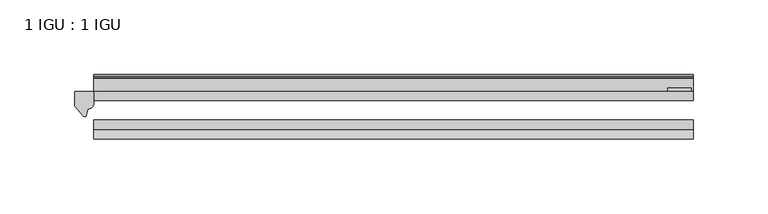
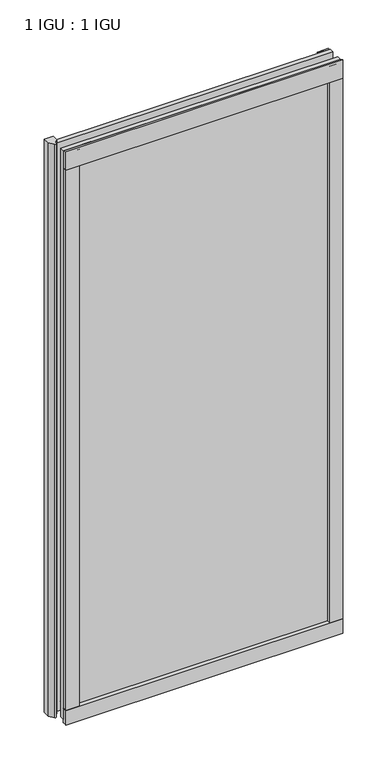
"""IFC4 building model written with IfcOpenShell, lengths in millimetres: plate geometry, 1 IGU : 1 IGU."""

from ifc_helpers import new_model, si_unit, point, frame, frame_2d, origin, place, context, project, spatial, polyline, circle_curve, trimmed, segment, composite_curve, outline, extrude, source, transform, mapped, element, save


def plate_1_igu_1_igu_8e1cafb7(model_context):
    return source(origin(), model_context, "Body", "SweptSolid", [
        extrude(outline(polyline([(200.025, 0.0021347), (200.025, -6.2992), (-200.025, -6.2992), (-200.025, 0.0021347), (200.025, 0.0021347)])), frame((0.0, 0.0, -17.4498), z_axis=(0.0, 0.0, 1.0), x_axis=(1.0, 0.0, 0.0)), (0.0, 0.0, 1.0), 868.3366072),
        extrude(outline(polyline([(-200.025, -19.0986653), (200.025, -19.0986653), (200.025, -25.3978653), (-200.025, -25.3978653), (-200.025, -19.0986653)])), frame((0.0, 0.0, -17.4498), z_axis=(0.0, 0.0, 1.0), x_axis=(1.0, 0.0, 0.0)), (0.0, 0.0, 1.0), 868.3366072),
        extrude(outline(composite_curve([segment(polyline([(-200.025, 8.8e-06), (-200.025, -7.7683362)]), True, "CONTINUOUS"), segment(trimmed(circle_curve(frame_2d((-203.9964979, -7.7683362)), 3.9714979), [point((-200.025, -7.7683362))], [point((-204.1239498, -11.7377885))], False, "CARTESIAN"), True, "CONTINUOUS"), segment(polyline([(-204.1239498, -11.7377885), (-205.1039843, -16.012436)]), True, "CONTINUOUS"), segment(trimmed(circle_curve(frame_2d((-206.2051933, -15.7723555)), 1.1270758), [point((-205.1039843, -16.012436))], [point((-207.1590327, -16.372764))], False, "CARTESIAN"), True, "CONTINUOUS"), segment(polyline([(-207.1590327, -16.372764), (-212.725, -9.7395025), (-212.725, 8.8e-06), (-200.025, 8.8e-06)]), True, "CONTINUOUS")], self_intersect=False)), frame((0.0, 0.0, -17.4498), z_axis=(0.0, 0.0, 1.0), x_axis=(1.0, 0.0, 0.0)), (0.0, 0.0, 1.0), 875.4740072),
        extrude(outline(composite_curve([segment(polyline([(-31.75, 0.0), (-25.4, 0.0), (-25.4, -22.225)]), True, "CONTINUOUS"), segment(trimmed(circle_curve(frame_2d((-28.575, -28.9113452)), 7.4018806), [point((-25.4, -22.225))], [point((-31.75, -22.225))], True, "CARTESIAN"), True, "CONTINUOUS"), segment(polyline([(-31.75, -22.225), (-31.75, 0.0)]), True, "CONTINUOUS")], self_intersect=False)), frame((-200.025, 0.0, 0.0), z_axis=(1.0, 0.0, 0.0), x_axis=(0.0, 1.0, 0.0)), (0.0, 0.0, 1.0), 400.05),
        extrude(outline(composite_curve([segment(trimmed(circle_curve(frame_2d((13.6593785, 32.4202472)), 31.3046461), [point((0.0, 4.2528503))], [point((9.3980339, 1.406995))], True, "CARTESIAN"), True, "CONTINUOUS"), segment(polyline([(9.3980339, 1.406995), (9.3980339, 0.0254), (6.35, 0.0254), (6.35, -5.1625788), (7.7309478, -5.3970663), (6.35, -8.0073788), (6.35, -11.8471127)]), True, "CONTINUOUS"), segment(trimmed(circle_curve(frame_2d((5.334, -11.8471127)), 1.016), [point((6.35, -11.8471127))], [point((4.6284878, -12.5782136))], False, "CARTESIAN"), True, "CONTINUOUS"), segment(trimmed(circle_curve(frame_2d((-23.3689302, -41.5910901)), 40.3187601), [point((4.6284878, -12.5782136))], [point((0.0, -8.735413))], True, "CARTESIAN"), True, "CONTINUOUS"), segment(polyline([(0.0, -8.735413), (0.0, 4.2528503)]), True, "CONTINUOUS")], self_intersect=False)), frame((-200.025, 0.0, 0.0), z_axis=(1.0, 0.0, 0.0), x_axis=(0.0, 1.0, 0.0)), (0.0, 0.0, 1.0), 400.05),
        extrude(outline(composite_curve([segment(polyline([(8.509, 840.7300284), (8.509, 838.6980284), (6.35, 838.6980284), (6.35, 833.3640284), (8.9492698, 833.3640284)]), True, "CONTINUOUS"), segment(trimmed(circle_curve(frame_2d((8.208689, 831.8368072)), 1.697311), [point((8.9492698, 833.3640284))], [point((8.962411, 830.3160284))], False, "CARTESIAN"), True, "CONTINUOUS"), segment(polyline([(8.962411, 830.3160284), (6.35, 830.3160284), (6.35, 825.4868072), (11.1252, 825.4868072), (11.1252, 824.5978072)]), True, "CONTINUOUS"), segment(trimmed(circle_curve(frame_2d((10.1092, 824.5978072)), 1.016), [point((11.1252, 824.5978072))], [point((10.1092, 823.5818072))], False, "CARTESIAN"), True, "CONTINUOUS"), segment(trimmed(circle_curve(frame_2d((10.1092, 804.1707318)), 19.4110754), [point((10.1092, 823.5818072))], [point((0.0, 820.7416075))], True, "CARTESIAN"), True, "CONTINUOUS"), segment(polyline([(0.0, 820.7416075), (0.0, 840.7300284), (8.509, 840.7300284)]), True, "CONTINUOUS")], self_intersect=False)), frame((-200.025, 0.0, 0.0), z_axis=(1.0, 0.0, 0.0), x_axis=(0.0, 1.0, 0.0)), (0.0, 0.0, 1.0), 400.05),
        extrude(outline(composite_curve([segment(polyline([(-25.4, 850.8868072), (-25.4, 825.4868072), (-31.75, 825.4868072), (-31.75, 853.6597045)]), True, "CONTINUOUS"), segment(trimmed(circle_curve(frame_2d((-24.1401272, 862.4292187)), 11.6109665), [point((-31.75, 853.6597045))], [point((-25.4, 850.8868072))], True, "CARTESIAN"), True, "CONTINUOUS")], self_intersect=False)), frame((-200.025, 0.0, 0.0), z_axis=(1.0, 0.0, 0.0), x_axis=(0.0, 1.0, 0.0)), (0.0, 0.0, 1.0), 400.05),
        extrude(outline(composite_curve([segment(polyline([(180.975, -25.4), (200.025, -25.4)]), True, "CONTINUOUS"), segment(trimmed(circle_curve(frame_2d((209.4911507, -28.575)), 9.9844196), [point((200.025, -25.4))], [point((200.025, -31.75))], True, "CARTESIAN"), True, "CONTINUOUS"), segment(polyline([(200.025, -31.75), (180.975, -31.75), (180.975, -25.4)]), True, "CONTINUOUS")], self_intersect=False)), frame((0.0, 0.0, -17.4498), z_axis=(0.0, 0.0, 1.0), x_axis=(1.0, 0.0, 0.0)), (0.0, 0.0, 1.0), 868.3366072),
        extrude(outline(polyline([(198.8185, 2.2860088), (198.8185, 0.0021347), (182.9435, 0.0021347), (182.9435, 2.2860088), (198.8185, 2.2860088)])), frame((0.0, 0.0, -17.4498), z_axis=(0.0, 0.0, 1.0), x_axis=(1.0, 0.0, 0.0)), (0.0, 0.0, 1.0), 868.3366072),
        extrude(outline(composite_curve([segment(trimmed(circle_curve(frame_2d((-209.4911507, -28.575)), 9.9844196), [point((-200.025, -31.75))], [point((-200.025, -25.4))], True, "CARTESIAN"), True, "CONTINUOUS"), segment(polyline([(-200.025, -25.4), (-180.975, -25.4), (-180.975, -31.75), (-200.025, -31.75)]), True, "CONTINUOUS")], self_intersect=False)), frame((0.0, 0.0, -17.4498), z_axis=(0.0, 0.0, 1.0), x_axis=(1.0, 0.0, 0.0)), (0.0, 0.0, 1.0), 868.3366072),
    ])


if __name__ == "__main__":
    model = new_model("IFC4")
    model_context = context("Model", 3, world=origin())
    ifc_project = project(units=[si_unit("LENGTHUNIT", "METRE", prefix="MILLI")], contexts=[model_context])
    site = spatial("IfcSite", under=ifc_project)
    building = spatial("IfcBuilding", under=site)
    placement = place(None, origin())
    plate_1_igu_1_igu_shape = plate_1_igu_1_igu_8e1cafb7(model_context)
    element("IfcPlate", 1, ObjectType="1 IGU : 1 IGU", at=placement, inside=building, context=model_context, shape_type="MappedRepresentation", body=[
        mapped(plate_1_igu_1_igu_shape, transform((0.0, 0.0, 0.0), x_axis=(1.0, 0.0, 0.0), y_axis=(0.0, 1.0, 0.0), z_axis=(0.0, 0.0, 1.0))),
    ])
    save(model, "model.ifc")
